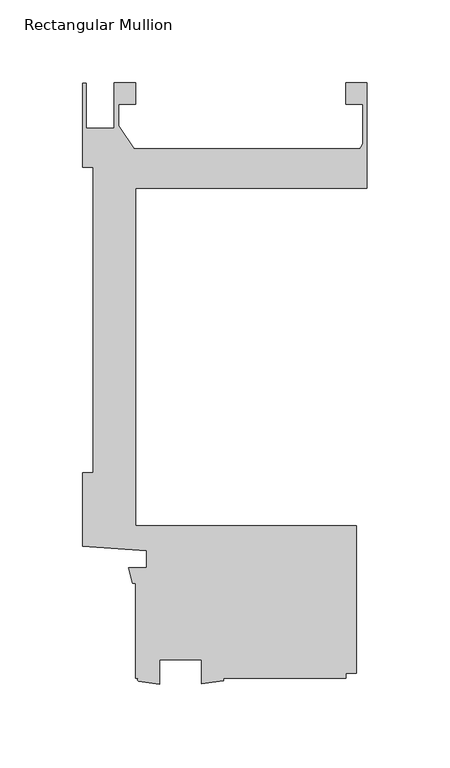
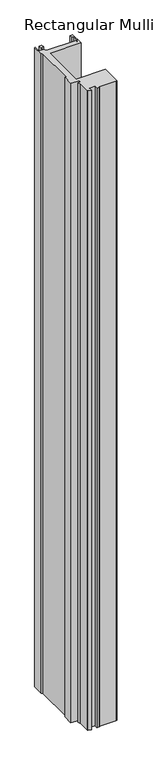
"""IFC4 building model written with IfcOpenShell, lengths in millimetres: member geometry, Rectangular Mullion."""

import ifcopenshell
import ifcopenshell.guid

model = None  # the IFC model being written
_history = None  # IfcOwnerHistory: only IFC2X3 demands one
_inside = {}  # id of a spatial element -> (the spatial element, [elements in it])
_under = {}  # id of a project, library or spatial element -> (it, [spatial elements below it])
_declared = {}  # id of a project -> (the project, [libraries it declares])
_typed = {}  # id of a type object -> (the type object, [elements of that type])
_made_of = {}  # id of a material, layer set ... -> (it, [elements and type objects made of it])


def new_model(schema):
    """Start an empty IFC model of exactly this schema.

    Asked for "IFC4X3", IfcOpenShell would pick the latest addendum, in which some entities
    have other attributes; the version numbers below select the first issue.
    IFC2X3 requires an IfcOwnerHistory on every rooted entity: one is made here for all.
    """
    global model, _history
    if schema == "IFC4X3":
        model = ifcopenshell.file(schema_version=(4, 3, 0, 0))
    else:
        model = ifcopenshell.file(schema=schema)
    _inside.clear()
    _under.clear()
    _declared.clear()
    _typed.clear()
    _made_of.clear()
    _history = None
    if model.schema == "IFC2X3":
        org = make("IfcOrganization", Name="unknown")
        user = make(
            "IfcPersonAndOrganization",
            ThePerson=make("IfcPerson", FamilyName="unknown"),
            TheOrganization=org,
        )
        app = make(
            "IfcApplication",
            ApplicationDeveloper=org,
            Version="unknown",
            ApplicationFullName="unknown",
            ApplicationIdentifier="unknown",
        )
        _history = make(
            "IfcOwnerHistory",
            OwningUser=user,
            OwningApplication=app,
            ChangeAction="ADDED",
            CreationDate=0,
        )
    return model


def make(cls, **values):
    """One entity of the class cls with the attributes given. An attribute that is None is left unset."""
    return model.create_entity(
        cls, **{name: value for name, value in values.items() if value is not None}
    )


def rooted(cls, **values):
    """An entity with a GlobalId (a new one), such as an element, a storey or a relation."""
    return make(cls, GlobalId=ifcopenshell.guid.new(), OwnerHistory=_history, **values)


def si_unit(unit_type, name, prefix=None):
    """IfcSIUnit, for example si_unit("LENGTHUNIT", "METRE", prefix="MILLI")."""
    return make("IfcSIUnit", UnitType=unit_type, Prefix=prefix, Name=name)


def assignment(units):
    """IfcUnitAssignment: the units of a project."""
    return None if units is None else make("IfcUnitAssignment", Units=units)


def point(xyz):
    """IfcCartesianPoint."""
    return None if xyz is None else make("IfcCartesianPoint", Coordinates=xyz)


def direction(xyz):
    """IfcDirection."""
    return None if xyz is None else make("IfcDirection", DirectionRatios=xyz)


def frame(location, z_axis=None, x_axis=None):
    """IfcAxis2Placement3D, a coordinate frame: its origin and axes. An axis left out is left unset."""
    return make(
        "IfcAxis2Placement3D",
        Location=point(location),
        Axis=direction(z_axis),
        RefDirection=direction(x_axis),
    )


def frame_2d(location, x_axis=None):
    """IfcAxis2Placement2D, a coordinate frame in the plane: its origin and x axis."""
    return make(
        "IfcAxis2Placement2D", Location=point(location), RefDirection=direction(x_axis)
    )


def origin():
    """The frame at (0, 0, 0) with its axes left unset."""
    return frame((0.0, 0.0, 0.0))


def place(relative_to, where):
    """IfcLocalPlacement: puts the frame where relative to a parent placement (None: the world)."""
    return make(
        "IfcLocalPlacement", PlacementRelTo=relative_to, RelativePlacement=where
    )


def context(
    kind, dimensions, precision=None, world=None, true_north=None, identifier=None
):
    """IfcGeometricRepresentationContext, for example the 3D "Model" context."""
    return make(
        "IfcGeometricRepresentationContext",
        ContextIdentifier=identifier,
        ContextType=kind,
        CoordinateSpaceDimension=dimensions,
        Precision=precision,
        WorldCoordinateSystem=world,
        TrueNorth=true_north,
    )


def project(units=None, contexts=None):
    """IfcProject with its units and contexts."""
    return rooted(
        "IfcProject",
        Name="project",
        RepresentationContexts=contexts,
        UnitsInContext=assignment(units),
    )


def spatial(cls, under=None, at=None, **own):
    """A site, building, storey or space (cls), placed at a placement, below another one or the project."""
    s = rooted(cls, ObjectPlacement=at, **own)
    if under is not None:
        _under.setdefault(under.id(), (under, []))[1].append(s)
    return s


def polyline(points):
    """IfcPolyline through the points."""
    return make("IfcPolyline", Points=[point(p) for p in points])


def circle_curve(where, radius):
    """IfcCircle in the frame where."""
    return make("IfcCircle", Position=where, Radius=radius)


def trimmed(basis, trim1, trim2, sense, master):
    """IfcTrimmedCurve: the piece of a basis curve between two trims."""
    return make(
        "IfcTrimmedCurve",
        BasisCurve=basis,
        Trim1=trim1,
        Trim2=trim2,
        SenseAgreement=sense,
        MasterRepresentation=master,
    )


def segment(curve, same_sense, transition):
    """IfcCompositeCurveSegment."""
    return make(
        "IfcCompositeCurveSegment",
        Transition=transition,
        SameSense=same_sense,
        ParentCurve=curve,
    )


def composite_curve(segments, self_intersect=None):
    """IfcCompositeCurve: segments joined end to end."""
    return make("IfcCompositeCurve", Segments=segments, SelfIntersect=self_intersect)


def outline(outer, holes=None, kind="AREA"):
    """IfcArbitraryClosedProfileDef: a profile drawn as a closed curve; with holes, ...WithVoids."""
    if holes is None:
        return make("IfcArbitraryClosedProfileDef", ProfileType=kind, OuterCurve=outer)
    return make(
        "IfcArbitraryProfileDefWithVoids",
        ProfileType=kind,
        OuterCurve=outer,
        InnerCurves=holes,
    )


def extrude(swept, where, along, depth):
    """IfcExtrudedAreaSolid: the profile swept, set in the frame where, extruded along a direction by depth."""
    return make(
        "IfcExtrudedAreaSolid",
        SweptArea=swept,
        Position=where,
        ExtrudedDirection=direction(along),
        Depth=depth,
    )


def shape(context_of_items, identifier, shape_type, items):
    """IfcShapeRepresentation: the items that make up one representation, for example the "Body"."""
    return make(
        "IfcShapeRepresentation",
        ContextOfItems=context_of_items,
        RepresentationIdentifier=identifier,
        RepresentationType=shape_type,
        Items=items,
    )


def source(mapping_origin, context_of_items, identifier, shape_type, items):
    """IfcRepresentationMap: a shape defined once, which mapped items show again and again."""
    return make(
        "IfcRepresentationMap",
        MappingOrigin=mapping_origin,
        MappedRepresentation=shape(context_of_items, identifier, shape_type, items),
    )


def transform(
    local_origin,
    x_axis=None,
    y_axis=None,
    z_axis=None,
    scale=None,
    scale2=None,
    scale3=None,
    uniform=True,
):
    """IfcCartesianTransformationOperator3D, or its non-uniform kind. x_axis, y_axis, z_axis: its Axis1, 2, 3."""
    if uniform:
        return make(
            "IfcCartesianTransformationOperator3D",
            Axis1=direction(x_axis),
            Axis2=direction(y_axis),
            LocalOrigin=point(local_origin),
            Scale=scale,
            Axis3=direction(z_axis),
        )
    return make(
        "IfcCartesianTransformationOperator3DnonUniform",
        Axis1=direction(x_axis),
        Axis2=direction(y_axis),
        LocalOrigin=point(local_origin),
        Scale=scale,
        Axis3=direction(z_axis),
        Scale2=scale2,
        Scale3=scale3,
    )


def mapped(mapping_source, mapping_target):
    """IfcMappedItem: shows the shape of a source again, moved by a transform."""
    return make(
        "IfcMappedItem", MappingSource=mapping_source, MappingTarget=mapping_target
    )


def made_of(thing, what):
    """Note that an element or type object is made of a material, layer set ...; save() writes the relation."""
    if what is not None:
        _made_of.setdefault(what.id(), (what, []))[1].append(thing)
    return thing


def element(
    cls,
    number,
    at=None,
    inside=None,
    cuts=None,
    type_object=None,
    material=None,
    context=None,
    identifier="Body",
    shape_type=None,
    held_by="IfcProductDefinitionShape",
    body=None,
    shapes=None,
    **own,
):
    """One element of the class cls, such as IfcWall. Its Tag is "e" and its number.

    at: its placement. inside: the storey or other place that contains it. cuts: it is an
    opening in that element (IfcRelVoidsElement). A single representation is given by context,
    identifier, shape_type and body (its items); several are given by shapes. held_by: the class
    of the entity that holds the representations. save() writes the other relations.
    """
    e = rooted(cls, Tag="e%d" % number, ObjectPlacement=at, **own)
    if body is not None:
        shapes = [shape(context, identifier, shape_type, body)]
    if shapes is not None:
        e.Representation = make(held_by, Representations=shapes)
    if inside is not None:
        _inside.setdefault(inside.id(), (inside, []))[1].append(e)
    if cuts is not None:
        rooted(
            "IfcRelVoidsElement", RelatingBuildingElement=cuts, RelatedOpeningElement=e
        )
    if type_object is not None:
        _typed.setdefault(type_object.id(), (type_object, []))[1].append(e)
    return made_of(e, material)


def aggregate(whole, parts):
    """IfcRelAggregates: a whole, such as a stair, and the parts it consists of."""
    return rooted("IfcRelAggregates", RelatingObject=whole, RelatedObjects=parts)


def save(model, path):
    """Write the relations noted so far, then the file.

    IfcRelAggregates (storeys below a building ...), IfcRelContainedInSpatialStructure (elements
    in a storey), IfcRelDefinesByType, IfcRelAssociatesMaterial and IfcRelDeclares: one each for
    every whole, place, type object, material and project.
    """
    for whole, parts in _under.values():
        aggregate(whole, parts)
    for where, things in _inside.values():
        rooted(
            "IfcRelContainedInSpatialStructure",
            RelatedElements=things,
            RelatingStructure=where,
        )
    for kind, things in _typed.values():
        rooted("IfcRelDefinesByType", RelatedObjects=things, RelatingType=kind)
    for what, things in _made_of.values():
        rooted("IfcRelAssociatesMaterial", RelatedObjects=things, RelatingMaterial=what)
    for by, libraries in _declared.values():
        rooted("IfcRelDeclares", RelatingContext=by, RelatedDefinitions=libraries)
    model.write(path)


def rectangular_mullion_11ee34b9(model_context):
    return source(origin(), model_context, "Body", "SweptSolid", [
        extrude(outline(composite_curve([segment(polyline([(0.0, 209.55), (-139.7010309, 209.55), (-139.7010309, 6.35), (-6.3510934, 6.35), (-6.3510934, -82.549973), (-12.7010309, -82.549973), (-12.7010309, -85.725127), (-87.0262183, -85.725127)]), True, "CONTINUOUS"), segment(trimmed(circle_curve(frame_2d((-87.5065099, -86.5180751)), 0.9270635), [point((-87.0262183, -85.725127))], [point((-87.0262183, -87.3110233))], False, "CARTESIAN"), True, "CONTINUOUS"), segment(polyline([(-87.0262183, -87.3110233), (-99.7975059, -89.121127), (-99.7975059, -74.612627), (-125.1975059, -74.612627), (-125.1975059, -89.2446487), (-137.9705587, -87.3885314)]), True, "CONTINUOUS"), segment(trimmed(circle_curve(frame_2d((-137.4405108, -86.5568292)), 0.986245), [point((-137.9705587, -87.3885314))], [point((-137.9705587, -85.725127))], False, "CARTESIAN"), True, "CONTINUOUS"), segment(polyline([(-137.9705587, -85.725127), (-139.7010309, -85.725127), (-139.7010309, -28.575), (-141.4322951, -28.575), (-143.8744778, -19.05), (-133.0838609, -19.05), (-133.0838609, -8.89), (-171.4509973, -6.2322995), (-171.4509973, 38.1), (-165.3364335, 38.1), (-165.3364335, 222.2499996), (-171.4499999, 222.2499996), (-171.4499999, 273.0499996), (-169.4179999, 273.0499996), (-169.4179999, 245.8901991), (-152.5173426, 245.8901991), (-152.5173426, 273.0754), (-139.6770294, 273.0754), (-139.6770294, 260.3754), (-149.9773426, 260.3754), (-149.9773426, 247.3445453), (-140.6789127, 233.3497996), (-4.3676768, 233.3497996)]), True, "CONTINUOUS"), segment(trimmed(circle_curve(frame_2d((-8.89, 237.8075)), 6.35), [point((-4.3676768, 233.3497996))], [point((-2.54, 237.8075))], True, "CARTESIAN"), True, "CONTINUOUS"), segment(polyline([(-2.54, 237.8075), (-2.54, 260.3754), (-12.720056, 260.3754), (-12.720056, 273.0754), (0.0, 273.0754), (0.0, 209.55)]), True, "CONTINUOUS")], self_intersect=False)), frame((0.0, 0.0, -3048.0), z_axis=(0.0, 0.0, 1.0), x_axis=(1.0, 0.0, 0.0)), (0.0, 0.0, 1.0), 3048.0),
    ])


if __name__ == "__main__":
    model = new_model("IFC4")
    model_context = context("Model", 3, world=origin())
    ifc_project = project(units=[si_unit("LENGTHUNIT", "METRE", prefix="MILLI")], contexts=[model_context])
    site = spatial("IfcSite", under=ifc_project)
    building = spatial("IfcBuilding", under=site)
    placement = place(None, origin())
    rectangular_mullion_shape = rectangular_mullion_11ee34b9(model_context)
    element("IfcMember", 1, ObjectType="Rectangular Mullion", at=placement, inside=building, context=model_context, shape_type="MappedRepresentation", body=[
        mapped(rectangular_mullion_shape, transform((0.0, 0.0, 0.0), x_axis=(1.0, 0.0, 0.0), y_axis=(0.0, 1.0, 0.0), z_axis=(0.0, 0.0, 1.0))),
    ])
    save(model, "model.ifc")
